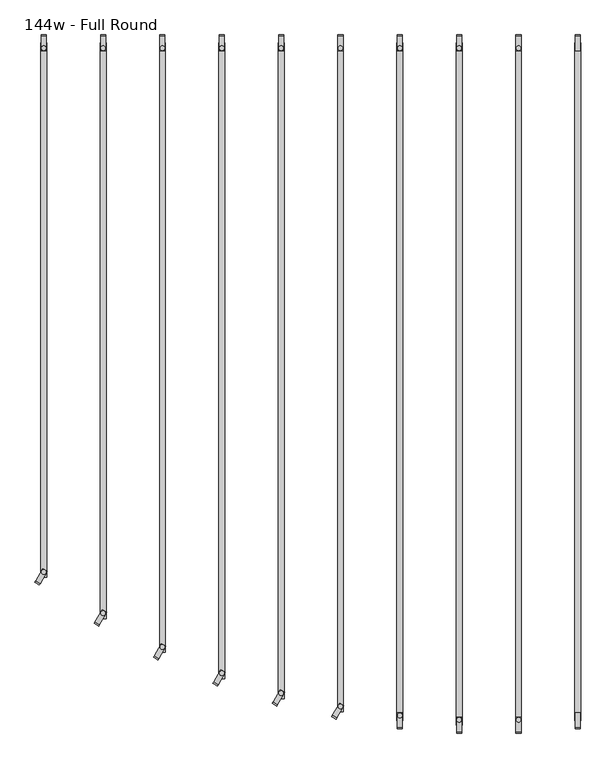
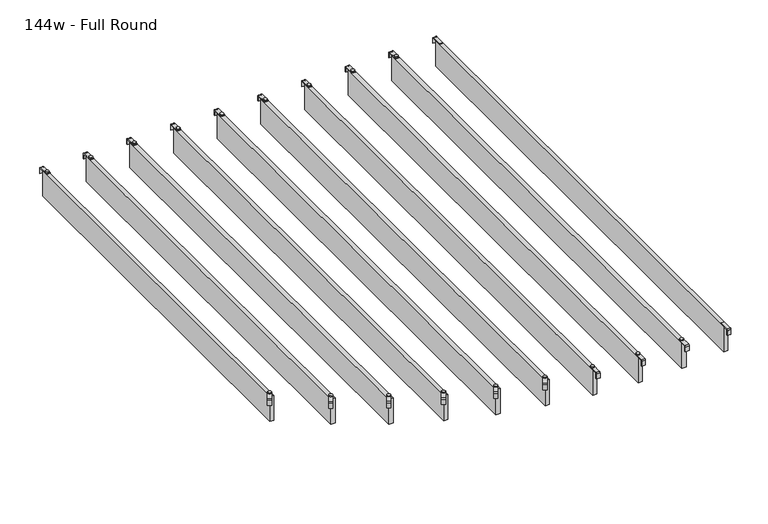
"""IFC4 building model written with IfcOpenShell, lengths in millimetres: furniture geometry, 144w - Full Round."""

import ifcopenshell
import ifcopenshell.guid

model = None  # the IFC model being written
_history = None  # IfcOwnerHistory: only IFC2X3 demands one
_inside = {}  # id of a spatial element -> (the spatial element, [elements in it])
_under = {}  # id of a project, library or spatial element -> (it, [spatial elements below it])
_declared = {}  # id of a project -> (the project, [libraries it declares])
_typed = {}  # id of a type object -> (the type object, [elements of that type])
_made_of = {}  # id of a material, layer set ... -> (it, [elements and type objects made of it])


def new_model(schema):
    """Start an empty IFC model of exactly this schema.

    Asked for "IFC4X3", IfcOpenShell would pick the latest addendum, in which some entities
    have other attributes; the version numbers below select the first issue.
    IFC2X3 requires an IfcOwnerHistory on every rooted entity: one is made here for all.
    """
    global model, _history
    if schema == "IFC4X3":
        model = ifcopenshell.file(schema_version=(4, 3, 0, 0))
    else:
        model = ifcopenshell.file(schema=schema)
    _inside.clear()
    _under.clear()
    _declared.clear()
    _typed.clear()
    _made_of.clear()
    _history = None
    if model.schema == "IFC2X3":
        org = make("IfcOrganization", Name="unknown")
        user = make(
            "IfcPersonAndOrganization",
            ThePerson=make("IfcPerson", FamilyName="unknown"),
            TheOrganization=org,
        )
        app = make(
            "IfcApplication",
            ApplicationDeveloper=org,
            Version="unknown",
            ApplicationFullName="unknown",
            ApplicationIdentifier="unknown",
        )
        _history = make(
            "IfcOwnerHistory",
            OwningUser=user,
            OwningApplication=app,
            ChangeAction="ADDED",
            CreationDate=0,
        )
    return model


def make(cls, **values):
    """One entity of the class cls with the attributes given. An attribute that is None is left unset."""
    return model.create_entity(
        cls, **{name: value for name, value in values.items() if value is not None}
    )


def rooted(cls, **values):
    """An entity with a GlobalId (a new one), such as an element, a storey or a relation."""
    return make(cls, GlobalId=ifcopenshell.guid.new(), OwnerHistory=_history, **values)


def si_unit(unit_type, name, prefix=None):
    """IfcSIUnit, for example si_unit("LENGTHUNIT", "METRE", prefix="MILLI")."""
    return make("IfcSIUnit", UnitType=unit_type, Prefix=prefix, Name=name)


def assignment(units):
    """IfcUnitAssignment: the units of a project."""
    return None if units is None else make("IfcUnitAssignment", Units=units)


def point(xyz):
    """IfcCartesianPoint."""
    return None if xyz is None else make("IfcCartesianPoint", Coordinates=xyz)


def direction(xyz):
    """IfcDirection."""
    return None if xyz is None else make("IfcDirection", DirectionRatios=xyz)


def frame(location, z_axis=None, x_axis=None):
    """IfcAxis2Placement3D, a coordinate frame: its origin and axes. An axis left out is left unset."""
    return make(
        "IfcAxis2Placement3D",
        Location=point(location),
        Axis=direction(z_axis),
        RefDirection=direction(x_axis),
    )


def frame_2d(location, x_axis=None):
    """IfcAxis2Placement2D, a coordinate frame in the plane: its origin and x axis."""
    return make(
        "IfcAxis2Placement2D", Location=point(location), RefDirection=direction(x_axis)
    )


def origin():
    """The frame at (0, 0, 0) with its axes left unset."""
    return frame((0.0, 0.0, 0.0))


def place(relative_to, where):
    """IfcLocalPlacement: puts the frame where relative to a parent placement (None: the world)."""
    return make(
        "IfcLocalPlacement", PlacementRelTo=relative_to, RelativePlacement=where
    )


def context(
    kind, dimensions, precision=None, world=None, true_north=None, identifier=None
):
    """IfcGeometricRepresentationContext, for example the 3D "Model" context."""
    return make(
        "IfcGeometricRepresentationContext",
        ContextIdentifier=identifier,
        ContextType=kind,
        CoordinateSpaceDimension=dimensions,
        Precision=precision,
        WorldCoordinateSystem=world,
        TrueNorth=true_north,
    )


def project(units=None, contexts=None):
    """IfcProject with its units and contexts."""
    return rooted(
        "IfcProject",
        Name="project",
        RepresentationContexts=contexts,
        UnitsInContext=assignment(units),
    )


def spatial(cls, under=None, at=None, **own):
    """A site, building, storey or space (cls), placed at a placement, below another one or the project."""
    s = rooted(cls, ObjectPlacement=at, **own)
    if under is not None:
        _under.setdefault(under.id(), (under, []))[1].append(s)
    return s


def polyline(points):
    """IfcPolyline through the points."""
    return make("IfcPolyline", Points=[point(p) for p in points])


def circle_curve(where, radius):
    """IfcCircle in the frame where."""
    return make("IfcCircle", Position=where, Radius=radius)


def trimmed(basis, trim1, trim2, sense, master):
    """IfcTrimmedCurve: the piece of a basis curve between two trims."""
    return make(
        "IfcTrimmedCurve",
        BasisCurve=basis,
        Trim1=trim1,
        Trim2=trim2,
        SenseAgreement=sense,
        MasterRepresentation=master,
    )


def segment(curve, same_sense, transition):
    """IfcCompositeCurveSegment."""
    return make(
        "IfcCompositeCurveSegment",
        Transition=transition,
        SameSense=same_sense,
        ParentCurve=curve,
    )


def composite_curve(segments, self_intersect=None):
    """IfcCompositeCurve: segments joined end to end."""
    return make("IfcCompositeCurve", Segments=segments, SelfIntersect=self_intersect)


def outline(outer, holes=None, kind="AREA"):
    """IfcArbitraryClosedProfileDef: a profile drawn as a closed curve; with holes, ...WithVoids."""
    if holes is None:
        return make("IfcArbitraryClosedProfileDef", ProfileType=kind, OuterCurve=outer)
    return make(
        "IfcArbitraryProfileDefWithVoids",
        ProfileType=kind,
        OuterCurve=outer,
        InnerCurves=holes,
    )


def extrude(swept, where, along, depth):
    """IfcExtrudedAreaSolid: the profile swept, set in the frame where, extruded along a direction by depth."""
    return make(
        "IfcExtrudedAreaSolid",
        SweptArea=swept,
        Position=where,
        ExtrudedDirection=direction(along),
        Depth=depth,
    )


def shape(context_of_items, identifier, shape_type, items):
    """IfcShapeRepresentation: the items that make up one representation, for example the "Body"."""
    return make(
        "IfcShapeRepresentation",
        ContextOfItems=context_of_items,
        RepresentationIdentifier=identifier,
        RepresentationType=shape_type,
        Items=items,
    )


def source(mapping_origin, context_of_items, identifier, shape_type, items):
    """IfcRepresentationMap: a shape defined once, which mapped items show again and again."""
    return make(
        "IfcRepresentationMap",
        MappingOrigin=mapping_origin,
        MappedRepresentation=shape(context_of_items, identifier, shape_type, items),
    )


def transform(
    local_origin,
    x_axis=None,
    y_axis=None,
    z_axis=None,
    scale=None,
    scale2=None,
    scale3=None,
    uniform=True,
):
    """IfcCartesianTransformationOperator3D, or its non-uniform kind. x_axis, y_axis, z_axis: its Axis1, 2, 3."""
    if uniform:
        return make(
            "IfcCartesianTransformationOperator3D",
            Axis1=direction(x_axis),
            Axis2=direction(y_axis),
            LocalOrigin=point(local_origin),
            Scale=scale,
            Axis3=direction(z_axis),
        )
    return make(
        "IfcCartesianTransformationOperator3DnonUniform",
        Axis1=direction(x_axis),
        Axis2=direction(y_axis),
        LocalOrigin=point(local_origin),
        Scale=scale,
        Axis3=direction(z_axis),
        Scale2=scale2,
        Scale3=scale3,
    )


def mapped(mapping_source, mapping_target):
    """IfcMappedItem: shows the shape of a source again, moved by a transform."""
    return make(
        "IfcMappedItem", MappingSource=mapping_source, MappingTarget=mapping_target
    )


def made_of(thing, what):
    """Note that an element or type object is made of a material, layer set ...; save() writes the relation."""
    if what is not None:
        _made_of.setdefault(what.id(), (what, []))[1].append(thing)
    return thing


def element(
    cls,
    number,
    at=None,
    inside=None,
    cuts=None,
    type_object=None,
    material=None,
    context=None,
    identifier="Body",
    shape_type=None,
    held_by="IfcProductDefinitionShape",
    body=None,
    shapes=None,
    **own,
):
    """One element of the class cls, such as IfcWall. Its Tag is "e" and its number.

    at: its placement. inside: the storey or other place that contains it. cuts: it is an
    opening in that element (IfcRelVoidsElement). A single representation is given by context,
    identifier, shape_type and body (its items); several are given by shapes. held_by: the class
    of the entity that holds the representations. save() writes the other relations.
    """
    e = rooted(cls, Tag="e%d" % number, ObjectPlacement=at, **own)
    if body is not None:
        shapes = [shape(context, identifier, shape_type, body)]
    if shapes is not None:
        e.Representation = make(held_by, Representations=shapes)
    if inside is not None:
        _inside.setdefault(inside.id(), (inside, []))[1].append(e)
    if cuts is not None:
        rooted(
            "IfcRelVoidsElement", RelatingBuildingElement=cuts, RelatedOpeningElement=e
        )
    if type_object is not None:
        _typed.setdefault(type_object.id(), (type_object, []))[1].append(e)
    return made_of(e, material)


def aggregate(whole, parts):
    """IfcRelAggregates: a whole, such as a stair, and the parts it consists of."""
    return rooted("IfcRelAggregates", RelatingObject=whole, RelatedObjects=parts)


def save(model, path):
    """Write the relations noted so far, then the file.

    IfcRelAggregates (storeys below a building ...), IfcRelContainedInSpatialStructure (elements
    in a storey), IfcRelDefinesByType, IfcRelAssociatesMaterial and IfcRelDeclares: one each for
    every whole, place, type object, material and project.
    """
    for whole, parts in _under.values():
        aggregate(whole, parts)
    for where, things in _inside.values():
        rooted(
            "IfcRelContainedInSpatialStructure",
            RelatedElements=things,
            RelatingStructure=where,
        )
    for kind, things in _typed.values():
        rooted("IfcRelDefinesByType", RelatedObjects=things, RelatingType=kind)
    for what, things in _made_of.values():
        rooted("IfcRelAssociatesMaterial", RelatedObjects=things, RelatingMaterial=what)
    for by, libraries in _declared.values():
        rooted("IfcRelDeclares", RelatingContext=by, RelatedDefinitions=libraries)
    model.write(path)


def furniture_144w_full_round_d6ac5e31(model_context):
    return source(origin(), model_context, "Body", "SweptSolid", [
        extrude(outline(composite_curve([segment(polyline([(2253.0946, 2419.2231711), (2250.4345993, 2419.2231711), (2250.4345993, 2437.2635571)]), True, "CONTINUOUS"), segment(trimmed(circle_curve(frame_2d((2249.4251568, 2437.2635571)), 1.0094425), [point((2250.4345993, 2437.2635571))], [point((2249.4251568, 2438.2729997))], True, "CARTESIAN"), True, "CONTINUOUS"), segment(polyline([(2249.4251568, 2438.2729997), (2212.4346, 2438.2729997), (2212.4346, 2440.9329992), (2249.4116, 2440.9329992)]), True, "CONTINUOUS"), segment(trimmed(circle_curve(frame_2d((2249.4116, 2437.2499992)), 3.683), [point((2249.4116, 2440.9329992))], [point((2253.0946, 2437.2499992))], False, "CARTESIAN"), True, "CONTINUOUS"), segment(polyline([(2253.0946, 2437.2499992), (2253.0946, 2419.2231711)]), True, "CONTINUOUS")], self_intersect=False)), frame((260.2069997, 0.0, 0.0), z_axis=(1.0, 0.0, 0.0), x_axis=(0.0, 1.0, 0.0)), (0.0, 0.0, 1.0), 13.0),
        extrude(outline(composite_curve([segment(polyline([(471.1824, 2419.2231711), (471.1824, 2437.2499992)]), True, "CONTINUOUS"), segment(trimmed(circle_curve(frame_2d((474.8654, 2437.2499992)), 3.683), [point((471.1824, 2437.2499992))], [point((474.8654, 2440.9329992))], False, "CARTESIAN"), True, "CONTINUOUS"), segment(polyline([(474.8654, 2440.9329992), (511.8424, 2440.9329992), (511.8424, 2438.2729997), (474.8518432, 2438.2729997)]), True, "CONTINUOUS"), segment(trimmed(circle_curve(frame_2d((474.8518432, 2437.2635571)), 1.0094425), [point((474.8518432, 2438.2729997))], [point((473.8424007, 2437.2635571))], True, "CARTESIAN"), True, "CONTINUOUS"), segment(polyline([(473.8424007, 2437.2635571), (473.8424007, 2419.2231711), (471.1824, 2419.2231711)]), True, "CONTINUOUS")], self_intersect=False)), frame((260.2069997, 0.0, 0.0), z_axis=(1.0, 0.0, 0.0), x_axis=(0.0, 1.0, 0.0)), (0.0, 0.0, 1.0), 13.0),
        extrude(outline(polyline([(259.207, 491.6424), (259.207, 2232.6346), (274.193, 2232.6346), (274.193, 491.6424), (259.207, 491.6424)])), frame((0.0, 0.0, 2346.198), z_axis=(0.0, 0.0, 1.0), x_axis=(1.0, 0.0, 0.0)), (0.0, 0.0, 1.0), 92.202),
        extrude(outline(composite_curve([segment(trimmed(circle_curve(frame_2d((114.3, 2218.9346)), 5.9838099), [point((114.3, 2212.9507901))], [point((114.3, 2224.9184099))], False, "CARTESIAN"), True, "CONTINUOUS"), segment(trimmed(circle_curve(frame_2d((114.3, 2218.9346)), 5.9838099), [point((114.3, 2224.9184099))], [point((114.3, 2212.9507901))], False, "CARTESIAN"), True, "CONTINUOUS")], self_intersect=False)), frame((0.0, 0.0, 2440.9329992), z_axis=(0.0, 0.0, 1.0), x_axis=(1.0, 0.0, 0.0)), (0.0, 0.0, 1.0), 3.4400008),
        extrude(outline(composite_curve([segment(trimmed(circle_curve(frame_2d((114.3, 494.3442)), 5.9838099), [point((114.3, 500.3280099))], [point((114.3, 488.3603901))], False, "CARTESIAN"), True, "CONTINUOUS"), segment(trimmed(circle_curve(frame_2d((114.3, 494.3442)), 5.9838099), [point((114.3, 488.3603901))], [point((114.3, 500.3280099))], False, "CARTESIAN"), True, "CONTINUOUS")], self_intersect=False)), frame((0.0, 0.0, 2440.9329992), z_axis=(0.0, 0.0, 1.0), x_axis=(1.0, 0.0, 0.0)), (0.0, 0.0, 1.0), 3.4400008),
        extrude(outline(composite_curve([segment(polyline([(2253.0946, 2419.2231711), (2250.4345993, 2419.2231711), (2250.4345993, 2437.2635571)]), True, "CONTINUOUS"), segment(trimmed(circle_curve(frame_2d((2249.4251568, 2437.2635571)), 1.0094425), [point((2250.4345993, 2437.2635571))], [point((2249.4251568, 2438.2729997))], True, "CARTESIAN"), True, "CONTINUOUS"), segment(polyline([(2249.4251568, 2438.2729997), (2212.4346, 2438.2729997), (2212.4346, 2440.9329992), (2249.4116, 2440.9329992)]), True, "CONTINUOUS"), segment(trimmed(circle_curve(frame_2d((2249.4116, 2437.2499992)), 3.683), [point((2249.4116, 2440.9329992))], [point((2253.0946, 2437.2499992))], False, "CARTESIAN"), True, "CONTINUOUS"), segment(polyline([(2253.0946, 2437.2499992), (2253.0946, 2419.2231711)]), True, "CONTINUOUS")], self_intersect=False)), frame((107.8069997, 0.0, 0.0), z_axis=(1.0, 0.0, 0.0), x_axis=(0.0, 1.0, 0.0)), (0.0, 0.0, 1.0), 13.0),
        extrude(outline(composite_curve([segment(polyline([(460.1842, 2419.2231711), (460.1842, 2437.2499992)]), True, "CONTINUOUS"), segment(trimmed(circle_curve(frame_2d((463.8672, 2437.2499992)), 3.683), [point((460.1842, 2437.2499992))], [point((463.8672, 2440.9329992))], False, "CARTESIAN"), True, "CONTINUOUS"), segment(polyline([(463.8672, 2440.9329992), (500.8442, 2440.9329992), (500.8442, 2438.2729997), (463.8536432, 2438.2729997)]), True, "CONTINUOUS"), segment(trimmed(circle_curve(frame_2d((463.8536432, 2437.2635571)), 1.0094425), [point((463.8536432, 2438.2729997))], [point((462.8442007, 2437.2635571))], True, "CARTESIAN"), True, "CONTINUOUS"), segment(polyline([(462.8442007, 2437.2635571), (462.8442007, 2419.2231711), (460.1842, 2419.2231711)]), True, "CONTINUOUS")], self_intersect=False)), frame((107.8069997, 0.0, 0.0), z_axis=(1.0, 0.0, 0.0), x_axis=(0.0, 1.0, 0.0)), (0.0, 0.0, 1.0), 13.0),
        extrude(outline(polyline([(106.807, 480.6442), (106.807, 2232.6346), (121.793, 2232.6346), (121.793, 480.6442), (106.807, 480.6442)])), frame((0.0, 0.0, 2346.198), z_axis=(0.0, 0.0, 1.0), x_axis=(1.0, 0.0, 0.0)), (0.0, 0.0, 1.0), 92.202),
        extrude(outline(composite_curve([segment(trimmed(circle_curve(frame_2d((-38.1, 2218.9346)), 5.9838099), [point((-38.1, 2212.9507901))], [point((-38.1, 2224.9184099))], False, "CARTESIAN"), True, "CONTINUOUS"), segment(trimmed(circle_curve(frame_2d((-38.1, 2218.9346)), 5.9838099), [point((-38.1, 2224.9184099))], [point((-38.1, 2212.9507901))], False, "CARTESIAN"), True, "CONTINUOUS")], self_intersect=False)), frame((0.0, 0.0, 2440.9329992), z_axis=(0.0, 0.0, 1.0), x_axis=(1.0, 0.0, 0.0)), (0.0, 0.0, 1.0), 3.4400008),
        extrude(outline(composite_curve([segment(trimmed(circle_curve(frame_2d((-38.1, 494.3442)), 5.9838099), [point((-38.1, 500.3280099))], [point((-38.1, 488.3603901))], False, "CARTESIAN"), True, "CONTINUOUS"), segment(trimmed(circle_curve(frame_2d((-38.1, 494.3442)), 5.9838099), [point((-38.1, 488.3603901))], [point((-38.1, 500.3280099))], False, "CARTESIAN"), True, "CONTINUOUS")], self_intersect=False)), frame((0.0, 0.0, 2440.9329992), z_axis=(0.0, 0.0, 1.0), x_axis=(1.0, 0.0, 0.0)), (0.0, 0.0, 1.0), 3.4400008),
        extrude(outline(composite_curve([segment(polyline([(2253.0946, 2419.2231711), (2250.4345993, 2419.2231711), (2250.4345993, 2437.2635571)]), True, "CONTINUOUS"), segment(trimmed(circle_curve(frame_2d((2249.4251568, 2437.2635571)), 1.0094425), [point((2250.4345993, 2437.2635571))], [point((2249.4251568, 2438.2729997))], True, "CARTESIAN"), True, "CONTINUOUS"), segment(polyline([(2249.4251568, 2438.2729997), (2212.4346, 2438.2729997), (2212.4346, 2440.9329992), (2249.4116, 2440.9329992)]), True, "CONTINUOUS"), segment(trimmed(circle_curve(frame_2d((2249.4116, 2437.2499992)), 3.683), [point((2249.4116, 2440.9329992))], [point((2253.0946, 2437.2499992))], False, "CARTESIAN"), True, "CONTINUOUS"), segment(polyline([(2253.0946, 2437.2499992), (2253.0946, 2419.2231711)]), True, "CONTINUOUS")], self_intersect=False)), frame((-44.5930003, 0.0, 0.0), z_axis=(1.0, 0.0, 0.0), x_axis=(0.0, 1.0, 0.0)), (0.0, 0.0, 1.0), 13.0),
        extrude(outline(composite_curve([segment(polyline([(460.1842, 2419.2231711), (460.1842, 2437.2499992)]), True, "CONTINUOUS"), segment(trimmed(circle_curve(frame_2d((463.8672, 2437.2499992)), 3.683), [point((460.1842, 2437.2499992))], [point((463.8672, 2440.9329992))], False, "CARTESIAN"), True, "CONTINUOUS"), segment(polyline([(463.8672, 2440.9329992), (500.8442, 2440.9329992), (500.8442, 2438.2729997), (463.8536432, 2438.2729997)]), True, "CONTINUOUS"), segment(trimmed(circle_curve(frame_2d((463.8536432, 2437.2635571)), 1.0094425), [point((463.8536432, 2438.2729997))], [point((462.8442007, 2437.2635571))], True, "CARTESIAN"), True, "CONTINUOUS"), segment(polyline([(462.8442007, 2437.2635571), (462.8442007, 2419.2231711), (460.1842, 2419.2231711)]), True, "CONTINUOUS")], self_intersect=False)), frame((-44.5930003, 0.0, 0.0), z_axis=(1.0, 0.0, 0.0), x_axis=(0.0, 1.0, 0.0)), (0.0, 0.0, 1.0), 13.0),
        extrude(outline(polyline([(-45.593, 480.6442), (-45.593, 2232.6346), (-30.607, 2232.6346), (-30.607, 480.6442), (-45.593, 480.6442)])), frame((0.0, 0.0, 2346.198), z_axis=(0.0, 0.0, 1.0), x_axis=(1.0, 0.0, 0.0)), (0.0, 0.0, 1.0), 92.202),
        extrude(outline(composite_curve([segment(trimmed(circle_curve(frame_2d((-190.5, 2218.9346)), 5.9838099), [point((-190.5, 2212.9507901))], [point((-190.5, 2224.9184099))], False, "CARTESIAN"), True, "CONTINUOUS"), segment(trimmed(circle_curve(frame_2d((-190.5, 2218.9346)), 5.9838099), [point((-190.5, 2224.9184099))], [point((-190.5, 2212.9507901))], False, "CARTESIAN"), True, "CONTINUOUS")], self_intersect=False)), frame((0.0, 0.0, 2440.9329992), z_axis=(0.0, 0.0, 1.0), x_axis=(1.0, 0.0, 0.0)), (0.0, 0.0, 1.0), 3.4400008),
        extrude(outline(composite_curve([segment(trimmed(circle_curve(frame_2d((-190.5, 505.3424)), 5.9838099), [point((-190.5, 511.3262099))], [point((-190.5, 499.3585901))], False, "CARTESIAN"), True, "CONTINUOUS"), segment(trimmed(circle_curve(frame_2d((-190.5, 505.3424)), 5.9838099), [point((-190.5, 499.3585901))], [point((-190.5, 511.3262099))], False, "CARTESIAN"), True, "CONTINUOUS")], self_intersect=False)), frame((0.0, 0.0, 2440.9329992), z_axis=(0.0, 0.0, 1.0), x_axis=(1.0, 0.0, 0.0)), (0.0, 0.0, 1.0), 3.4400008),
        extrude(outline(composite_curve([segment(polyline([(2253.0946, 2419.2231711), (2250.4345993, 2419.2231711), (2250.4345993, 2437.2635571)]), True, "CONTINUOUS"), segment(trimmed(circle_curve(frame_2d((2249.4251568, 2437.2635571)), 1.0094425), [point((2250.4345993, 2437.2635571))], [point((2249.4251568, 2438.2729997))], True, "CARTESIAN"), True, "CONTINUOUS"), segment(polyline([(2249.4251568, 2438.2729997), (2212.4346, 2438.2729997), (2212.4346, 2440.9329992), (2249.4116, 2440.9329992)]), True, "CONTINUOUS"), segment(trimmed(circle_curve(frame_2d((2249.4116, 2437.2499992)), 3.683), [point((2249.4116, 2440.9329992))], [point((2253.0946, 2437.2499992))], False, "CARTESIAN"), True, "CONTINUOUS"), segment(polyline([(2253.0946, 2437.2499992), (2253.0946, 2419.2231711)]), True, "CONTINUOUS")], self_intersect=False)), frame((-196.9930003, 0.0, 0.0), z_axis=(1.0, 0.0, 0.0), x_axis=(0.0, 1.0, 0.0)), (0.0, 0.0, 1.0), 13.0),
        extrude(outline(composite_curve([segment(polyline([(471.1824, 2419.2231711), (471.1824, 2437.2499992)]), True, "CONTINUOUS"), segment(trimmed(circle_curve(frame_2d((474.8654, 2437.2499992)), 3.683), [point((471.1824, 2437.2499992))], [point((474.8654, 2440.9329992))], False, "CARTESIAN"), True, "CONTINUOUS"), segment(polyline([(474.8654, 2440.9329992), (511.8424, 2440.9329992), (511.8424, 2438.2729997), (474.8518432, 2438.2729997)]), True, "CONTINUOUS"), segment(trimmed(circle_curve(frame_2d((474.8518432, 2437.2635571)), 1.0094425), [point((474.8518432, 2438.2729997))], [point((473.8424007, 2437.2635571))], True, "CARTESIAN"), True, "CONTINUOUS"), segment(polyline([(473.8424007, 2437.2635571), (473.8424007, 2419.2231711), (471.1824, 2419.2231711)]), True, "CONTINUOUS")], self_intersect=False)), frame((-196.9930003, 0.0, 0.0), z_axis=(1.0, 0.0, 0.0), x_axis=(0.0, 1.0, 0.0)), (0.0, 0.0, 1.0), 13.0),
        extrude(outline(polyline([(-197.993, 491.6424), (-197.993, 2232.6346), (-183.007, 2232.6346), (-183.007, 491.6424), (-197.993, 491.6424)])), frame((0.0, 0.0, 2346.198), z_axis=(0.0, 0.0, 1.0), x_axis=(1.0, 0.0, 0.0)), (0.0, 0.0, 1.0), 92.202),
        extrude(outline(composite_curve([segment(trimmed(circle_curve(frame_2d((-1.0160034, 0.0159998)), 1.016), [point((-1.0160034, -1.0000002))], [point((-3.4e-06, 0.0159998))], True, "CARTESIAN"), True, "CONTINUOUS"), segment(polyline([(-3.4e-06, 0.0159998), (-3.4e-06, 36.778517), (2.5329992, 36.778517), (2.5329992, 0.0229991)]), True, "CONTINUOUS"), segment(trimmed(circle_curve(frame_2d((-1.1500008, 0.0229991)), 3.683), [point((2.5329992, 0.0229991))], [point((-1.1500008, -3.660001))], False, "CARTESIAN"), True, "CONTINUOUS"), segment(polyline([(-1.1500008, -3.660001), (-19.0498319, -3.660001), (-19.0498319, -1.0000002), (-1.0160034, -1.0000002)]), True, "CONTINUOUS")], self_intersect=False)), frame((-352.5208344, 499.072026, 2438.4), z_axis=(-0.8660254037843667, 0.5000000000001248, 0.0), x_axis=(0.0, 0.0, 1.0)), (0.0, 0.0, 1.0), 13.0000002),
        extrude(outline(composite_curve([segment(trimmed(circle_curve(frame_2d((-342.9, 2218.9346)), 5.9838099), [point((-342.9, 2212.9507901))], [point((-342.9, 2224.9184099))], False, "CARTESIAN"), True, "CONTINUOUS"), segment(trimmed(circle_curve(frame_2d((-342.9, 2218.9346)), 5.9838099), [point((-342.9, 2224.9184099))], [point((-342.9, 2212.9507901))], False, "CARTESIAN"), True, "CONTINUOUS")], self_intersect=False)), frame((0.0, 0.0, 2440.9329992), z_axis=(0.0, 0.0, 1.0), x_axis=(1.0, 0.0, 0.0)), (0.0, 0.0, 1.0), 3.4400008),
        extrude(outline(composite_curve([segment(trimmed(circle_curve(frame_2d((-342.9, 528.7358)), 5.9838099), [point((-342.9, 534.7196099))], [point((-342.9, 522.7519901))], False, "CARTESIAN"), True, "CONTINUOUS"), segment(trimmed(circle_curve(frame_2d((-342.9, 528.7358)), 5.9838099), [point((-342.9, 522.7519901))], [point((-342.9, 534.7196099))], False, "CARTESIAN"), True, "CONTINUOUS")], self_intersect=False)), frame((0.0, 0.0, 2440.9329992), z_axis=(0.0, 0.0, 1.0), x_axis=(1.0, 0.0, 0.0)), (0.0, 0.0, 1.0), 3.4400008),
        extrude(outline(composite_curve([segment(polyline([(2253.0946, 2419.2231711), (2250.4345993, 2419.2231711), (2250.4345993, 2437.2635571)]), True, "CONTINUOUS"), segment(trimmed(circle_curve(frame_2d((2249.4251568, 2437.2635571)), 1.0094425), [point((2250.4345993, 2437.2635571))], [point((2249.4251568, 2438.2729997))], True, "CARTESIAN"), True, "CONTINUOUS"), segment(polyline([(2249.4251568, 2438.2729997), (2212.4346, 2438.2729997), (2212.4346, 2440.9329992), (2249.4116, 2440.9329992)]), True, "CONTINUOUS"), segment(trimmed(circle_curve(frame_2d((2249.4116, 2437.2499992)), 3.683), [point((2249.4116, 2440.9329992))], [point((2253.0946, 2437.2499992))], False, "CARTESIAN"), True, "CONTINUOUS"), segment(polyline([(2253.0946, 2437.2499992), (2253.0946, 2419.2231711)]), True, "CONTINUOUS")], self_intersect=False)), frame((-349.3930003, 0.0, 0.0), z_axis=(1.0, 0.0, 0.0), x_axis=(0.0, 1.0, 0.0)), (0.0, 0.0, 1.0), 13.0),
        extrude(outline(polyline([(-350.393, 515.0358), (-350.393, 2232.6346), (-335.407, 2232.6346), (-335.407, 515.0358), (-350.393, 515.0358)])), frame((0.0, 0.0, 2346.198), z_axis=(0.0, 0.0, 1.0), x_axis=(1.0, 0.0, 0.0)), (0.0, 0.0, 1.0), 92.202),
        extrude(outline(composite_curve([segment(trimmed(circle_curve(frame_2d((-1.0160034, 0.0159998)), 1.016), [point((-1.0160034, -1.0000002))], [point((-3.4e-06, 0.0159998))], True, "CARTESIAN"), True, "CONTINUOUS"), segment(polyline([(-3.4e-06, 0.0159998), (-3.4e-06, 36.778517), (2.5329992, 36.778517), (2.5329992, 0.0229991)]), True, "CONTINUOUS"), segment(trimmed(circle_curve(frame_2d((-1.1500008, 0.0229991)), 3.683), [point((2.5329992, 0.0229991))], [point((-1.1500008, -3.660001))], False, "CARTESIAN"), True, "CONTINUOUS"), segment(polyline([(-1.1500008, -3.660001), (-19.0498319, -3.660001), (-19.0498319, -1.0000002), (-1.0160034, -1.0000002)]), True, "CONTINUOUS")], self_intersect=False)), frame((-504.9208344, 532.904826, 2438.4), z_axis=(-0.8660254037843667, 0.5000000000001248, 0.0), x_axis=(0.0, 0.0, 1.0)), (0.0, 0.0, 1.0), 13.0000002),
        extrude(outline(composite_curve([segment(trimmed(circle_curve(frame_2d((-495.3, 2218.9346)), 5.9838099), [point((-495.3, 2212.9507901))], [point((-495.3, 2224.9184099))], False, "CARTESIAN"), True, "CONTINUOUS"), segment(trimmed(circle_curve(frame_2d((-495.3, 2218.9346)), 5.9838099), [point((-495.3, 2224.9184099))], [point((-495.3, 2212.9507901))], False, "CARTESIAN"), True, "CONTINUOUS")], self_intersect=False)), frame((0.0, 0.0, 2440.9329992), z_axis=(0.0, 0.0, 1.0), x_axis=(1.0, 0.0, 0.0)), (0.0, 0.0, 1.0), 3.4400008),
        extrude(outline(composite_curve([segment(trimmed(circle_curve(frame_2d((-495.3, 562.5686)), 5.9838099), [point((-495.3, 568.5524099))], [point((-495.3, 556.5847901))], False, "CARTESIAN"), True, "CONTINUOUS"), segment(trimmed(circle_curve(frame_2d((-495.3, 562.5686)), 5.9838099), [point((-495.3, 556.5847901))], [point((-495.3, 568.5524099))], False, "CARTESIAN"), True, "CONTINUOUS")], self_intersect=False)), frame((0.0, 0.0, 2440.9329992), z_axis=(0.0, 0.0, 1.0), x_axis=(1.0, 0.0, 0.0)), (0.0, 0.0, 1.0), 3.4400008),
        extrude(outline(composite_curve([segment(polyline([(2253.0946, 2419.2231711), (2250.4345993, 2419.2231711), (2250.4345993, 2437.2635571)]), True, "CONTINUOUS"), segment(trimmed(circle_curve(frame_2d((2249.4251568, 2437.2635571)), 1.0094425), [point((2250.4345993, 2437.2635571))], [point((2249.4251568, 2438.2729997))], True, "CARTESIAN"), True, "CONTINUOUS"), segment(polyline([(2249.4251568, 2438.2729997), (2212.4346, 2438.2729997), (2212.4346, 2440.9329992), (2249.4116, 2440.9329992)]), True, "CONTINUOUS"), segment(trimmed(circle_curve(frame_2d((2249.4116, 2437.2499992)), 3.683), [point((2249.4116, 2440.9329992))], [point((2253.0946, 2437.2499992))], False, "CARTESIAN"), True, "CONTINUOUS"), segment(polyline([(2253.0946, 2437.2499992), (2253.0946, 2419.2231711)]), True, "CONTINUOUS")], self_intersect=False)), frame((-501.7930003, 0.0, 0.0), z_axis=(1.0, 0.0, 0.0), x_axis=(0.0, 1.0, 0.0)), (0.0, 0.0, 1.0), 13.0),
        extrude(outline(polyline([(-502.793, 548.8686), (-502.793, 2232.6346), (-487.807, 2232.6346), (-487.807, 548.8686), (-502.793, 548.8686)])), frame((0.0, 0.0, 2346.198), z_axis=(0.0, 0.0, 1.0), x_axis=(1.0, 0.0, 0.0)), (0.0, 0.0, 1.0), 92.202),
        extrude(outline(composite_curve([segment(trimmed(circle_curve(frame_2d((-1.0160034, 0.0159998)), 1.016), [point((-1.0160034, -1.0000002))], [point((-3.4e-06, 0.0159998))], True, "CARTESIAN"), True, "CONTINUOUS"), segment(polyline([(-3.4e-06, 0.0159998), (-3.4e-06, 36.778517), (2.5329992, 36.778517), (2.5329992, 0.0229991)]), True, "CONTINUOUS"), segment(trimmed(circle_curve(frame_2d((-1.1500008, 0.0229991)), 3.683), [point((2.5329992, 0.0229991))], [point((-1.1500008, -3.660001))], False, "CARTESIAN"), True, "CONTINUOUS"), segment(polyline([(-1.1500008, -3.660001), (-19.0498319, -3.660001), (-19.0498319, -1.0000002), (-1.0160034, -1.0000002)]), True, "CONTINUOUS")], self_intersect=False)), frame((-657.3208344, 584.289026, 2438.4), z_axis=(-0.8660254037843667, 0.5000000000001248, 0.0), x_axis=(0.0, 0.0, 1.0)), (0.0, 0.0, 1.0), 13.0000002),
        extrude(outline(composite_curve([segment(trimmed(circle_curve(frame_2d((-647.7, 2218.9346)), 5.9838099), [point((-647.7, 2212.9507901))], [point((-647.7, 2224.9184099))], False, "CARTESIAN"), True, "CONTINUOUS"), segment(trimmed(circle_curve(frame_2d((-647.7, 2218.9346)), 5.9838099), [point((-647.7, 2224.9184099))], [point((-647.7, 2212.9507901))], False, "CARTESIAN"), True, "CONTINUOUS")], self_intersect=False)), frame((0.0, 0.0, 2440.9329992), z_axis=(0.0, 0.0, 1.0), x_axis=(1.0, 0.0, 0.0)), (0.0, 0.0, 1.0), 3.4400008),
        extrude(outline(composite_curve([segment(trimmed(circle_curve(frame_2d((-647.7, 613.9528)), 5.9838099), [point((-647.7, 619.9366099))], [point((-647.7, 607.9689901))], False, "CARTESIAN"), True, "CONTINUOUS"), segment(trimmed(circle_curve(frame_2d((-647.7, 613.9528)), 5.9838099), [point((-647.7, 607.9689901))], [point((-647.7, 619.9366099))], False, "CARTESIAN"), True, "CONTINUOUS")], self_intersect=False)), frame((0.0, 0.0, 2440.9329992), z_axis=(0.0, 0.0, 1.0), x_axis=(1.0, 0.0, 0.0)), (0.0, 0.0, 1.0), 3.4400008),
        extrude(outline(composite_curve([segment(polyline([(2253.0946, 2419.2231711), (2250.4345993, 2419.2231711), (2250.4345993, 2437.2635571)]), True, "CONTINUOUS"), segment(trimmed(circle_curve(frame_2d((2249.4251568, 2437.2635571)), 1.0094425), [point((2250.4345993, 2437.2635571))], [point((2249.4251568, 2438.2729997))], True, "CARTESIAN"), True, "CONTINUOUS"), segment(polyline([(2249.4251568, 2438.2729997), (2212.4346, 2438.2729997), (2212.4346, 2440.9329992), (2249.4116, 2440.9329992)]), True, "CONTINUOUS"), segment(trimmed(circle_curve(frame_2d((2249.4116, 2437.2499992)), 3.683), [point((2249.4116, 2440.9329992))], [point((2253.0946, 2437.2499992))], False, "CARTESIAN"), True, "CONTINUOUS"), segment(polyline([(2253.0946, 2437.2499992), (2253.0946, 2419.2231711)]), True, "CONTINUOUS")], self_intersect=False)), frame((-654.1930003, 0.0, 0.0), z_axis=(1.0, 0.0, 0.0), x_axis=(0.0, 1.0, 0.0)), (0.0, 0.0, 1.0), 13.0),
        extrude(outline(polyline([(-655.193, 600.2528), (-655.193, 2232.6346), (-640.207, 2232.6346), (-640.207, 600.2528), (-655.193, 600.2528)])), frame((0.0, 0.0, 2346.198), z_axis=(0.0, 0.0, 1.0), x_axis=(1.0, 0.0, 0.0)), (0.0, 0.0, 1.0), 92.202),
        extrude(outline(composite_curve([segment(trimmed(circle_curve(frame_2d((-1.0160034, 0.0159998)), 1.016), [point((-1.0160034, -1.0000002))], [point((-3.4e-06, 0.0159998))], True, "CARTESIAN"), True, "CONTINUOUS"), segment(polyline([(-3.4e-06, 0.0159998), (-3.4e-06, 36.778517), (2.5329992, 36.778517), (2.5329992, 0.0229991)]), True, "CONTINUOUS"), segment(trimmed(circle_curve(frame_2d((-1.1500008, 0.0229991)), 3.683), [point((2.5329992, 0.0229991))], [point((-1.1500008, -3.660001))], False, "CARTESIAN"), True, "CONTINUOUS"), segment(polyline([(-1.1500008, -3.660001), (-19.0498319, -3.660001), (-19.0498319, -1.0000002), (-1.0160034, -1.0000002)]), True, "CONTINUOUS")], self_intersect=False)), frame((-809.7208344, 651.446626, 2438.4), z_axis=(-0.8660254037843667, 0.5000000000001248, 0.0), x_axis=(0.0, 0.0, 1.0)), (0.0, 0.0, 1.0), 13.0000002),
        extrude(outline(composite_curve([segment(trimmed(circle_curve(frame_2d((-800.1, 2218.9346)), 5.9838099), [point((-800.1, 2212.9507901))], [point((-800.1, 2224.9184099))], False, "CARTESIAN"), True, "CONTINUOUS"), segment(trimmed(circle_curve(frame_2d((-800.1, 2218.9346)), 5.9838099), [point((-800.1, 2224.9184099))], [point((-800.1, 2212.9507901))], False, "CARTESIAN"), True, "CONTINUOUS")], self_intersect=False)), frame((0.0, 0.0, 2440.9329992), z_axis=(0.0, 0.0, 1.0), x_axis=(1.0, 0.0, 0.0)), (0.0, 0.0, 1.0), 3.4400008),
        extrude(outline(composite_curve([segment(trimmed(circle_curve(frame_2d((-800.1, 681.1104)), 5.9838099), [point((-800.1, 687.0942099))], [point((-800.1, 675.1265901))], False, "CARTESIAN"), True, "CONTINUOUS"), segment(trimmed(circle_curve(frame_2d((-800.1, 681.1104)), 5.9838099), [point((-800.1, 675.1265901))], [point((-800.1, 687.0942099))], False, "CARTESIAN"), True, "CONTINUOUS")], self_intersect=False)), frame((0.0, 0.0, 2440.9329992), z_axis=(0.0, 0.0, 1.0), x_axis=(1.0, 0.0, 0.0)), (0.0, 0.0, 1.0), 3.4400008),
        extrude(outline(composite_curve([segment(polyline([(2253.0946, 2419.2231711), (2250.4345993, 2419.2231711), (2250.4345993, 2437.2635571)]), True, "CONTINUOUS"), segment(trimmed(circle_curve(frame_2d((2249.4251568, 2437.2635571)), 1.0094425), [point((2250.4345993, 2437.2635571))], [point((2249.4251568, 2438.2729997))], True, "CARTESIAN"), True, "CONTINUOUS"), segment(polyline([(2249.4251568, 2438.2729997), (2212.4346, 2438.2729997), (2212.4346, 2440.9329992), (2249.4116, 2440.9329992)]), True, "CONTINUOUS"), segment(trimmed(circle_curve(frame_2d((2249.4116, 2437.2499992)), 3.683), [point((2249.4116, 2440.9329992))], [point((2253.0946, 2437.2499992))], False, "CARTESIAN"), True, "CONTINUOUS"), segment(polyline([(2253.0946, 2437.2499992), (2253.0946, 2419.2231711)]), True, "CONTINUOUS")], self_intersect=False)), frame((-806.5930003, 0.0, 0.0), z_axis=(1.0, 0.0, 0.0), x_axis=(0.0, 1.0, 0.0)), (0.0, 0.0, 1.0), 13.0),
        extrude(outline(polyline([(-807.593, 667.4104), (-807.593, 2232.6346), (-792.607, 2232.6346), (-792.607, 667.4104), (-807.593, 667.4104)])), frame((0.0, 0.0, 2346.198), z_axis=(0.0, 0.0, 1.0), x_axis=(1.0, 0.0, 0.0)), (0.0, 0.0, 1.0), 92.202),
        extrude(outline(composite_curve([segment(trimmed(circle_curve(frame_2d((-1.0160034, 0.0159998)), 1.016), [point((-1.0160034, -1.0000002))], [point((-3.4e-06, 0.0159998))], True, "CARTESIAN"), True, "CONTINUOUS"), segment(polyline([(-3.4e-06, 0.0159998), (-3.4e-06, 36.778517), (2.5329992, 36.778517), (2.5329992, 0.0229991)]), True, "CONTINUOUS"), segment(trimmed(circle_curve(frame_2d((-1.1500008, 0.0229991)), 3.683), [point((2.5329992, 0.0229991))], [point((-1.1500008, -3.660001))], False, "CARTESIAN"), True, "CONTINUOUS"), segment(polyline([(-1.1500008, -3.660001), (-19.0498319, -3.660001), (-19.0498319, -1.0000002), (-1.0160034, -1.0000002)]), True, "CONTINUOUS")], self_intersect=False)), frame((-962.1208344, 738.340026, 2438.4), z_axis=(-0.8660254037843667, 0.5000000000001248, 0.0), x_axis=(0.0, 0.0, 1.0)), (0.0, 0.0, 1.0), 13.0000002),
        extrude(outline(composite_curve([segment(trimmed(circle_curve(frame_2d((-952.5, 2218.9346)), 5.9838099), [point((-952.5, 2212.9507901))], [point((-952.5, 2224.9184099))], False, "CARTESIAN"), True, "CONTINUOUS"), segment(trimmed(circle_curve(frame_2d((-952.5, 2218.9346)), 5.9838099), [point((-952.5, 2224.9184099))], [point((-952.5, 2212.9507901))], False, "CARTESIAN"), True, "CONTINUOUS")], self_intersect=False)), frame((0.0, 0.0, 2440.9329992), z_axis=(0.0, 0.0, 1.0), x_axis=(1.0, 0.0, 0.0)), (0.0, 0.0, 1.0), 3.4400008),
        extrude(outline(composite_curve([segment(trimmed(circle_curve(frame_2d((-952.5, 768.0038)), 5.9838099), [point((-952.5, 773.9876099))], [point((-952.5, 762.0199901))], False, "CARTESIAN"), True, "CONTINUOUS"), segment(trimmed(circle_curve(frame_2d((-952.5, 768.0038)), 5.9838099), [point((-952.5, 762.0199901))], [point((-952.5, 773.9876099))], False, "CARTESIAN"), True, "CONTINUOUS")], self_intersect=False)), frame((0.0, 0.0, 2440.9329992), z_axis=(0.0, 0.0, 1.0), x_axis=(1.0, 0.0, 0.0)), (0.0, 0.0, 1.0), 3.4400008),
        extrude(outline(composite_curve([segment(polyline([(2253.0946, 2419.2231711), (2250.4345993, 2419.2231711), (2250.4345993, 2437.2635571)]), True, "CONTINUOUS"), segment(trimmed(circle_curve(frame_2d((2249.4251568, 2437.2635571)), 1.0094425), [point((2250.4345993, 2437.2635571))], [point((2249.4251568, 2438.2729997))], True, "CARTESIAN"), True, "CONTINUOUS"), segment(polyline([(2249.4251568, 2438.2729997), (2212.4346, 2438.2729997), (2212.4346, 2440.9329992), (2249.4116, 2440.9329992)]), True, "CONTINUOUS"), segment(trimmed(circle_curve(frame_2d((2249.4116, 2437.2499992)), 3.683), [point((2249.4116, 2440.9329992))], [point((2253.0946, 2437.2499992))], False, "CARTESIAN"), True, "CONTINUOUS"), segment(polyline([(2253.0946, 2437.2499992), (2253.0946, 2419.2231711)]), True, "CONTINUOUS")], self_intersect=False)), frame((-958.9930003, 0.0, 0.0), z_axis=(1.0, 0.0, 0.0), x_axis=(0.0, 1.0, 0.0)), (0.0, 0.0, 1.0), 13.0),
        extrude(outline(polyline([(-959.993, 754.3038), (-959.993, 2232.6346), (-945.007, 2232.6346), (-945.007, 754.3038), (-959.993, 754.3038)])), frame((0.0, 0.0, 2346.198), z_axis=(0.0, 0.0, 1.0), x_axis=(1.0, 0.0, 0.0)), (0.0, 0.0, 1.0), 92.202),
        extrude(outline(composite_curve([segment(trimmed(circle_curve(frame_2d((-1.0160034, 0.0159998)), 1.016), [point((-1.0160034, -1.0000002))], [point((-3.4e-06, 0.0159998))], True, "CARTESIAN"), True, "CONTINUOUS"), segment(polyline([(-3.4e-06, 0.0159998), (-3.4e-06, 36.778517), (2.5329992, 36.778517), (2.5329992, 0.0229991)]), True, "CONTINUOUS"), segment(trimmed(circle_curve(frame_2d((-1.1500008, 0.0229991)), 3.683), [point((2.5329992, 0.0229991))], [point((-1.1500008, -3.660001))], False, "CARTESIAN"), True, "CONTINUOUS"), segment(polyline([(-1.1500008, -3.660001), (-19.0498319, -3.660001), (-19.0498319, -1.0000002), (-1.0160034, -1.0000002)]), True, "CONTINUOUS")], self_intersect=False)), frame((-1114.5208344, 844.156426, 2438.4), z_axis=(-0.8660254037843667, 0.5000000000001248, 0.0), x_axis=(0.0, 0.0, 1.0)), (0.0, 0.0, 1.0), 13.0000002),
        extrude(outline(composite_curve([segment(trimmed(circle_curve(frame_2d((-1104.9, 2218.9346)), 5.9838099), [point((-1104.9, 2212.9507901))], [point((-1104.9, 2224.9184099))], False, "CARTESIAN"), True, "CONTINUOUS"), segment(trimmed(circle_curve(frame_2d((-1104.9, 2218.9346)), 5.9838099), [point((-1104.9, 2224.9184099))], [point((-1104.9, 2212.9507901))], False, "CARTESIAN"), True, "CONTINUOUS")], self_intersect=False)), frame((0.0, 0.0, 2440.9329992), z_axis=(0.0, 0.0, 1.0), x_axis=(1.0, 0.0, 0.0)), (0.0, 0.0, 1.0), 3.4400008),
        extrude(outline(composite_curve([segment(trimmed(circle_curve(frame_2d((-1104.9, 873.8202)), 5.9838099), [point((-1104.9, 879.8040099))], [point((-1104.9, 867.8363901))], False, "CARTESIAN"), True, "CONTINUOUS"), segment(trimmed(circle_curve(frame_2d((-1104.9, 873.8202)), 5.9838099), [point((-1104.9, 867.8363901))], [point((-1104.9, 879.8040099))], False, "CARTESIAN"), True, "CONTINUOUS")], self_intersect=False)), frame((0.0, 0.0, 2440.9329992), z_axis=(0.0, 0.0, 1.0), x_axis=(1.0, 0.0, 0.0)), (0.0, 0.0, 1.0), 3.4400008),
        extrude(outline(composite_curve([segment(polyline([(2253.0946, 2419.2231711), (2250.4345993, 2419.2231711), (2250.4345993, 2437.2635571)]), True, "CONTINUOUS"), segment(trimmed(circle_curve(frame_2d((2249.4251568, 2437.2635571)), 1.0094425), [point((2250.4345993, 2437.2635571))], [point((2249.4251568, 2438.2729997))], True, "CARTESIAN"), True, "CONTINUOUS"), segment(polyline([(2249.4251568, 2438.2729997), (2212.4346, 2438.2729997), (2212.4346, 2440.9329992), (2249.4116, 2440.9329992)]), True, "CONTINUOUS"), segment(trimmed(circle_curve(frame_2d((2249.4116, 2437.2499992)), 3.683), [point((2249.4116, 2440.9329992))], [point((2253.0946, 2437.2499992))], False, "CARTESIAN"), True, "CONTINUOUS"), segment(polyline([(2253.0946, 2437.2499992), (2253.0946, 2419.2231711)]), True, "CONTINUOUS")], self_intersect=False)), frame((-1111.3930003, 0.0, 0.0), z_axis=(1.0, 0.0, 0.0), x_axis=(0.0, 1.0, 0.0)), (0.0, 0.0, 1.0), 13.0),
        extrude(outline(polyline([(-1112.393, 860.1202), (-1112.393, 2232.6346), (-1097.407, 2232.6346), (-1097.407, 860.1202), (-1112.393, 860.1202)])), frame((0.0, 0.0, 2346.198), z_axis=(0.0, 0.0, 1.0), x_axis=(1.0, 0.0, 0.0)), (0.0, 0.0, 1.0), 92.202),
    ])


if __name__ == "__main__":
    model = new_model("IFC4")
    model_context = context("Model", 3, world=origin())
    ifc_project = project(units=[si_unit("LENGTHUNIT", "METRE", prefix="MILLI")], contexts=[model_context])
    site = spatial("IfcSite", under=ifc_project)
    building = spatial("IfcBuilding", under=site)
    placement = place(None, origin())
    furniture_144w_full_round_shape = furniture_144w_full_round_d6ac5e31(model_context)
    element("IfcFurniture", 1, ObjectType="144w - Full Round", at=placement, inside=building, context=model_context, shape_type="MappedRepresentation", body=[
        mapped(furniture_144w_full_round_shape, transform((0.0, 0.0, 0.0), x_axis=(1.0, 0.0, 0.0), y_axis=(0.0, 1.0, 0.0), z_axis=(0.0, 0.0, 1.0))),
    ])
    save(model, "model.ifc")
